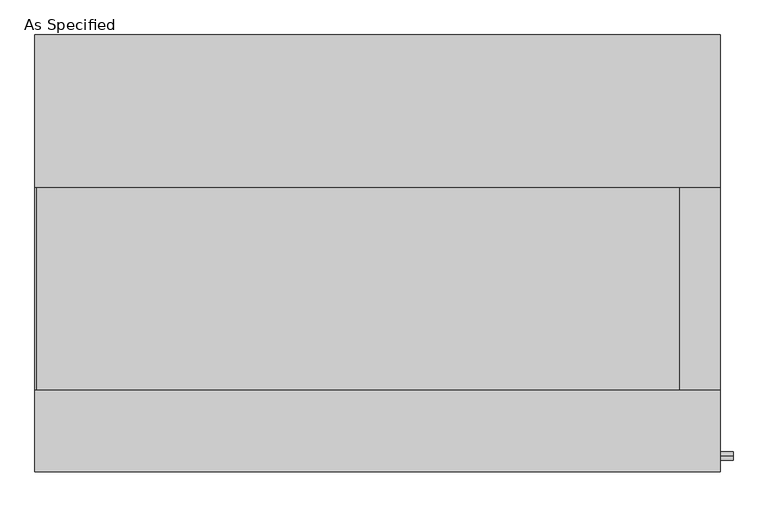
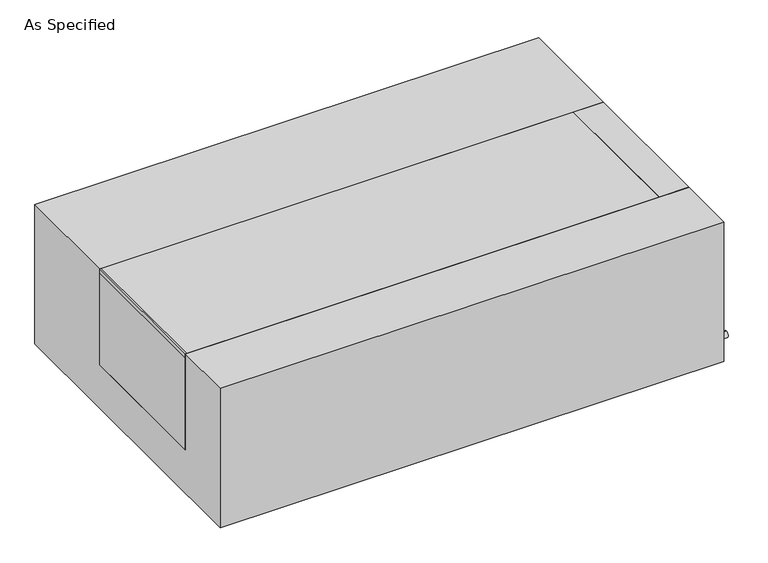
"""IFC4 building model written with IfcOpenShell, lengths in millimetres: proxy geometry, As Specified."""

from ifc_helpers import new_model, si_unit, point, frame, frame_2d, origin, place, context, project, spatial, polyline, circle_curve, trimmed, segment, composite_curve, outline, extrude, source, transform, mapped, element, save


def as_specified_c921b0a6(model_context):
    return source(origin(), model_context, "Body", "SweptSolid", [
        extrude(outline(composite_curve([segment(trimmed(circle_curve(frame_2d((-509.5875, -466.725)), 10.5), [point((-509.5875, -456.225))], [point((-509.5875, -477.225))], False, "CARTESIAN"), True, "CONTINUOUS"), segment(trimmed(circle_curve(frame_2d((-509.5875, -466.725)), 10.5), [point((-509.5875, -477.225))], [point((-509.5875, -456.225))], False, "CARTESIAN"), True, "CONTINUOUS")], self_intersect=False)), frame((862.0125, 0.0, 0.0), z_axis=(1.0, 0.0, 0.0), x_axis=(0.0, 1.0, 0.0)), (0.0, 0.0, 1.0), 31.8403384),
        extrude(outline(polyline([(759.61875, -342.9), (759.61875, 165.1), (862.0125, 165.1), (862.0125, -342.9), (759.61875, -342.9)])), frame((0.0, 0.0, -373.0625), z_axis=(0.0, 0.0, 1.0), x_axis=(1.0, 0.0, 0.0)), (0.0, 0.0, 1.0), 347.6625),
        extrude(outline(polyline([(-858.04375, -342.9), (-862.0125, -342.9), (-862.0125, 165.1), (-858.04375, 165.1), (-858.04375, -342.9)])), frame((0.0, 0.0, -39.6875), z_axis=(0.0, 0.0, 1.0), x_axis=(1.0, 0.0, 0.0)), (0.0, 0.0, 1.0), 14.2875),
        extrude(outline(polyline([(759.61875, 165.1), (759.61875, -342.9), (-862.0125, -342.9), (-862.0125, 165.1), (759.61875, 165.1)])), frame((0.0, 0.0, -373.0625), z_axis=(0.0, 0.0, 1.0), x_axis=(1.0, 0.0, 0.0)), (0.0, 0.0, 1.0), 347.6625),
        extrude(outline(polyline([(549.275, -25.4), (549.275, -530.225), (-549.275, -530.225), (-549.275, -25.4), (-342.9, -25.4), (-342.9, -373.0625), (165.1, -373.0625), (165.1, -25.4), (549.275, -25.4)])), frame((-862.0125, 0.0, 0.0), z_axis=(1.0, 0.0, 0.0), x_axis=(0.0, 1.0, 0.0)), (0.0, 0.0, 1.0), 1724.025),
    ])


if __name__ == "__main__":
    model = new_model("IFC4")
    model_context = context("Model", 3, world=origin())
    ifc_project = project(units=[si_unit("LENGTHUNIT", "METRE", prefix="MILLI")], contexts=[model_context])
    site = spatial("IfcSite", under=ifc_project)
    building = spatial("IfcBuilding", under=site)
    placement = place(None, origin())
    as_specified_shape = as_specified_c921b0a6(model_context)
    element("IfcBuildingElementProxy", 1, Name="As Specified", ObjectType="As Specified", at=placement, inside=building, context=model_context, shape_type="MappedRepresentation", body=[
        mapped(as_specified_shape, transform((0.0, 0.0, 0.0), x_axis=(1.0, 0.0, 0.0), y_axis=(0.0, 1.0, 0.0), z_axis=(0.0, 0.0, 1.0))),
    ])
    save(model, "model.ifc")
